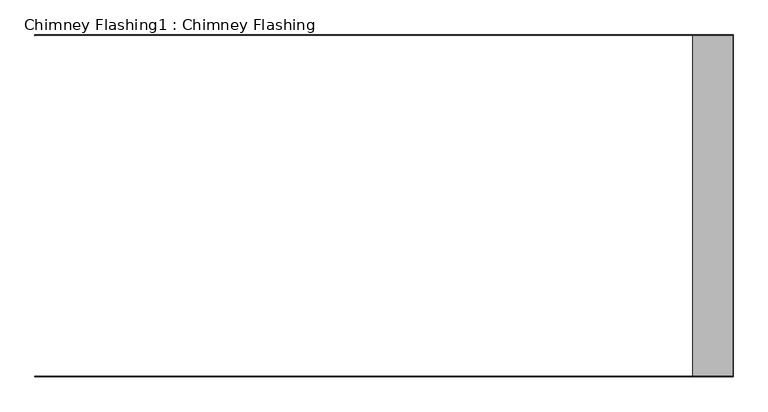
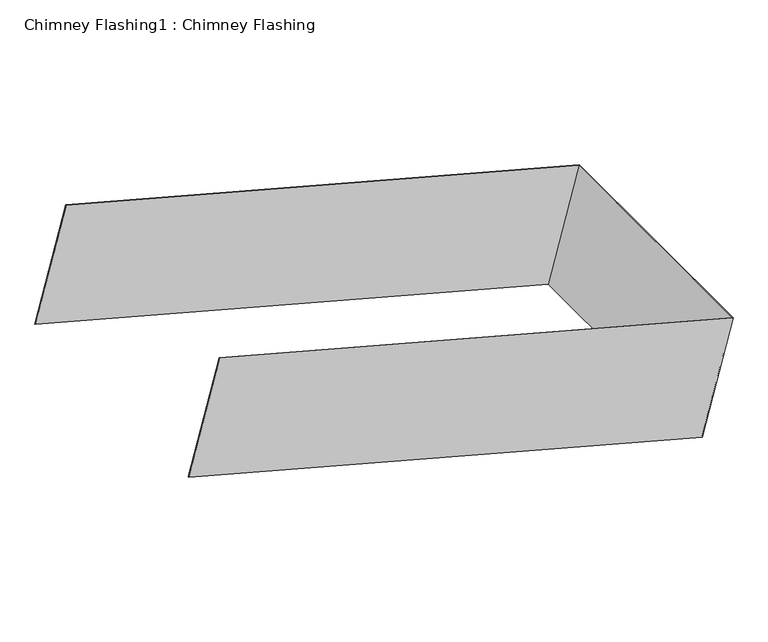
"""IFC4 building model written with IfcOpenShell, lengths in millimetres: proxy geometry, Chimney Flashing1 : Chimney Flashing."""

import ifcopenshell
import ifcopenshell.guid

model = None  # the IFC model being written
_history = None  # IfcOwnerHistory: only IFC2X3 demands one
_inside = {}  # id of a spatial element -> (the spatial element, [elements in it])
_under = {}  # id of a project, library or spatial element -> (it, [spatial elements below it])
_declared = {}  # id of a project -> (the project, [libraries it declares])
_typed = {}  # id of a type object -> (the type object, [elements of that type])
_made_of = {}  # id of a material, layer set ... -> (it, [elements and type objects made of it])


def new_model(schema):
    """Start an empty IFC model of exactly this schema.

    Asked for "IFC4X3", IfcOpenShell would pick the latest addendum, in which some entities
    have other attributes; the version numbers below select the first issue.
    IFC2X3 requires an IfcOwnerHistory on every rooted entity: one is made here for all.
    """
    global model, _history
    if schema == "IFC4X3":
        model = ifcopenshell.file(schema_version=(4, 3, 0, 0))
    else:
        model = ifcopenshell.file(schema=schema)
    _inside.clear()
    _under.clear()
    _declared.clear()
    _typed.clear()
    _made_of.clear()
    _history = None
    if model.schema == "IFC2X3":
        org = make("IfcOrganization", Name="unknown")
        user = make(
            "IfcPersonAndOrganization",
            ThePerson=make("IfcPerson", FamilyName="unknown"),
            TheOrganization=org,
        )
        app = make(
            "IfcApplication",
            ApplicationDeveloper=org,
            Version="unknown",
            ApplicationFullName="unknown",
            ApplicationIdentifier="unknown",
        )
        _history = make(
            "IfcOwnerHistory",
            OwningUser=user,
            OwningApplication=app,
            ChangeAction="ADDED",
            CreationDate=0,
        )
    return model


def make(cls, **values):
    """One entity of the class cls with the attributes given. An attribute that is None is left unset."""
    return model.create_entity(
        cls, **{name: value for name, value in values.items() if value is not None}
    )


def rooted(cls, **values):
    """An entity with a GlobalId (a new one), such as an element, a storey or a relation."""
    return make(cls, GlobalId=ifcopenshell.guid.new(), OwnerHistory=_history, **values)


def si_unit(unit_type, name, prefix=None):
    """IfcSIUnit, for example si_unit("LENGTHUNIT", "METRE", prefix="MILLI")."""
    return make("IfcSIUnit", UnitType=unit_type, Prefix=prefix, Name=name)


def assignment(units):
    """IfcUnitAssignment: the units of a project."""
    return None if units is None else make("IfcUnitAssignment", Units=units)


def point(xyz):
    """IfcCartesianPoint."""
    return None if xyz is None else make("IfcCartesianPoint", Coordinates=xyz)


def direction(xyz):
    """IfcDirection."""
    return None if xyz is None else make("IfcDirection", DirectionRatios=xyz)


def frame(location, z_axis=None, x_axis=None):
    """IfcAxis2Placement3D, a coordinate frame: its origin and axes. An axis left out is left unset."""
    return make(
        "IfcAxis2Placement3D",
        Location=point(location),
        Axis=direction(z_axis),
        RefDirection=direction(x_axis),
    )


def origin():
    """The frame at (0, 0, 0) with its axes left unset."""
    return frame((0.0, 0.0, 0.0))


def place(relative_to, where):
    """IfcLocalPlacement: puts the frame where relative to a parent placement (None: the world)."""
    return make(
        "IfcLocalPlacement", PlacementRelTo=relative_to, RelativePlacement=where
    )


def context(
    kind, dimensions, precision=None, world=None, true_north=None, identifier=None
):
    """IfcGeometricRepresentationContext, for example the 3D "Model" context."""
    return make(
        "IfcGeometricRepresentationContext",
        ContextIdentifier=identifier,
        ContextType=kind,
        CoordinateSpaceDimension=dimensions,
        Precision=precision,
        WorldCoordinateSystem=world,
        TrueNorth=true_north,
    )


def project(units=None, contexts=None):
    """IfcProject with its units and contexts."""
    return rooted(
        "IfcProject",
        Name="project",
        RepresentationContexts=contexts,
        UnitsInContext=assignment(units),
    )


def spatial(cls, under=None, at=None, **own):
    """A site, building, storey or space (cls), placed at a placement, below another one or the project."""
    s = rooted(cls, ObjectPlacement=at, **own)
    if under is not None:
        _under.setdefault(under.id(), (under, []))[1].append(s)
    return s


def polyline(points):
    """IfcPolyline through the points."""
    return make("IfcPolyline", Points=[point(p) for p in points])


def outline(outer, holes=None, kind="AREA"):
    """IfcArbitraryClosedProfileDef: a profile drawn as a closed curve; with holes, ...WithVoids."""
    if holes is None:
        return make("IfcArbitraryClosedProfileDef", ProfileType=kind, OuterCurve=outer)
    return make(
        "IfcArbitraryProfileDefWithVoids",
        ProfileType=kind,
        OuterCurve=outer,
        InnerCurves=holes,
    )


def extrude(swept, where, along, depth):
    """IfcExtrudedAreaSolid: the profile swept, set in the frame where, extruded along a direction by depth."""
    return make(
        "IfcExtrudedAreaSolid",
        SweptArea=swept,
        Position=where,
        ExtrudedDirection=direction(along),
        Depth=depth,
    )


def shape(context_of_items, identifier, shape_type, items):
    """IfcShapeRepresentation: the items that make up one representation, for example the "Body"."""
    return make(
        "IfcShapeRepresentation",
        ContextOfItems=context_of_items,
        RepresentationIdentifier=identifier,
        RepresentationType=shape_type,
        Items=items,
    )


def source(mapping_origin, context_of_items, identifier, shape_type, items):
    """IfcRepresentationMap: a shape defined once, which mapped items show again and again."""
    return make(
        "IfcRepresentationMap",
        MappingOrigin=mapping_origin,
        MappedRepresentation=shape(context_of_items, identifier, shape_type, items),
    )


def transform(
    local_origin,
    x_axis=None,
    y_axis=None,
    z_axis=None,
    scale=None,
    scale2=None,
    scale3=None,
    uniform=True,
):
    """IfcCartesianTransformationOperator3D, or its non-uniform kind. x_axis, y_axis, z_axis: its Axis1, 2, 3."""
    if uniform:
        return make(
            "IfcCartesianTransformationOperator3D",
            Axis1=direction(x_axis),
            Axis2=direction(y_axis),
            LocalOrigin=point(local_origin),
            Scale=scale,
            Axis3=direction(z_axis),
        )
    return make(
        "IfcCartesianTransformationOperator3DnonUniform",
        Axis1=direction(x_axis),
        Axis2=direction(y_axis),
        LocalOrigin=point(local_origin),
        Scale=scale,
        Axis3=direction(z_axis),
        Scale2=scale2,
        Scale3=scale3,
    )


def mapped(mapping_source, mapping_target):
    """IfcMappedItem: shows the shape of a source again, moved by a transform."""
    return make(
        "IfcMappedItem", MappingSource=mapping_source, MappingTarget=mapping_target
    )


def made_of(thing, what):
    """Note that an element or type object is made of a material, layer set ...; save() writes the relation."""
    if what is not None:
        _made_of.setdefault(what.id(), (what, []))[1].append(thing)
    return thing


def element(
    cls,
    number,
    at=None,
    inside=None,
    cuts=None,
    type_object=None,
    material=None,
    context=None,
    identifier="Body",
    shape_type=None,
    held_by="IfcProductDefinitionShape",
    body=None,
    shapes=None,
    **own,
):
    """One element of the class cls, such as IfcWall. Its Tag is "e" and its number.

    at: its placement. inside: the storey or other place that contains it. cuts: it is an
    opening in that element (IfcRelVoidsElement). A single representation is given by context,
    identifier, shape_type and body (its items); several are given by shapes. held_by: the class
    of the entity that holds the representations. save() writes the other relations.
    """
    e = rooted(cls, Tag="e%d" % number, ObjectPlacement=at, **own)
    if body is not None:
        shapes = [shape(context, identifier, shape_type, body)]
    if shapes is not None:
        e.Representation = make(held_by, Representations=shapes)
    if inside is not None:
        _inside.setdefault(inside.id(), (inside, []))[1].append(e)
    if cuts is not None:
        rooted(
            "IfcRelVoidsElement", RelatingBuildingElement=cuts, RelatedOpeningElement=e
        )
    if type_object is not None:
        _typed.setdefault(type_object.id(), (type_object, []))[1].append(e)
    return made_of(e, material)


def aggregate(whole, parts):
    """IfcRelAggregates: a whole, such as a stair, and the parts it consists of."""
    return rooted("IfcRelAggregates", RelatingObject=whole, RelatedObjects=parts)


def save(model, path):
    """Write the relations noted so far, then the file.

    IfcRelAggregates (storeys below a building ...), IfcRelContainedInSpatialStructure (elements
    in a storey), IfcRelDefinesByType, IfcRelAssociatesMaterial and IfcRelDeclares: one each for
    every whole, place, type object, material and project.
    """
    for whole, parts in _under.values():
        aggregate(whole, parts)
    for where, things in _inside.values():
        rooted(
            "IfcRelContainedInSpatialStructure",
            RelatedElements=things,
            RelatingStructure=where,
        )
    for kind, things in _typed.values():
        rooted("IfcRelDefinesByType", RelatedObjects=things, RelatingType=kind)
    for what, things in _made_of.values():
        rooted("IfcRelAssociatesMaterial", RelatedObjects=things, RelatingMaterial=what)
    for by, libraries in _declared.values():
        rooted("IfcRelDeclares", RelatingContext=by, RelatedDefinitions=libraries)
    model.write(path)


def chimney_flashing1_chimney_flashing_09dca0f9(model_context):
    return source(origin(), model_context, "Body", "SweptSolid", [
        extrude(outline(polyline([(0.0, -1.0), (0.0, 0.0), (1200.9999999, 0.0), (1200.9999999, -602.0), (0.0, -602.0), (0.0, -601.0), (1199.9999999, -601.0), (1199.9999999, -1.0), (0.0, -1.0)])), frame((9534.037993, -12620.7134194, 7284.2509927), z_axis=(0.25856567691211285, 0.0, 0.9659936804777663), x_axis=(0.9659936804777663, 0.0, -0.25856567691211285)), (0.0, 0.0, 1.0), 269.6718079),
    ])


if __name__ == "__main__":
    model = new_model("IFC4")
    model_context = context("Model", 3, world=origin())
    ifc_project = project(units=[si_unit("LENGTHUNIT", "METRE", prefix="MILLI")], contexts=[model_context])
    site = spatial("IfcSite", under=ifc_project)
    building = spatial("IfcBuilding", under=site)
    placement = place(None, origin())
    chimney_flashing1_chimney_flashing_shape = chimney_flashing1_chimney_flashing_09dca0f9(model_context)
    element("IfcBuildingElementProxy", 1, Name="Chimney Flashing1 : Chimney Flashing", ObjectType="Chimney Flashing1 : Chimney Flashing", at=placement, inside=building, context=model_context, shape_type="MappedRepresentation", body=[
        mapped(chimney_flashing1_chimney_flashing_shape, transform((0.0, 0.0, 0.0), x_axis=(1.0, 0.0, 0.0), y_axis=(0.0, 1.0, 0.0), z_axis=(0.0, 0.0, 1.0))),
    ])
    save(model, "model.ifc")
